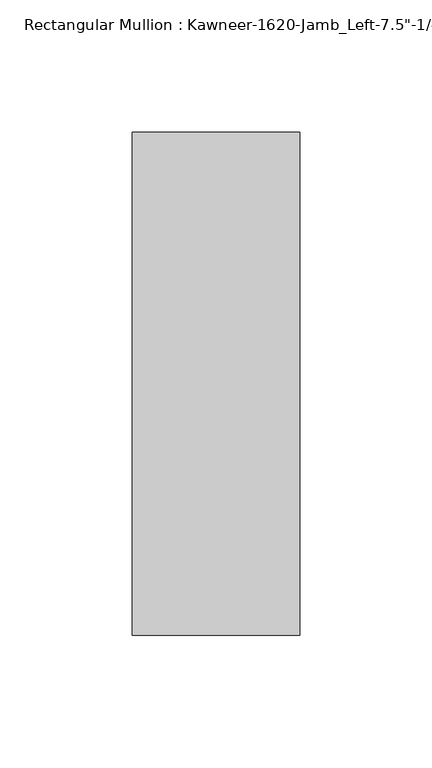
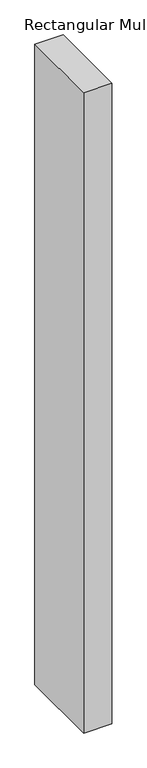
"""IFC4 building model written with IfcOpenShell, lengths in millimetres: member geometry."""

import ifcopenshell
import ifcopenshell.guid

model = None  # the IFC model being written
_history = None  # IfcOwnerHistory: only IFC2X3 demands one
_inside = {}  # id of a spatial element -> (the spatial element, [elements in it])
_under = {}  # id of a project, library or spatial element -> (it, [spatial elements below it])
_declared = {}  # id of a project -> (the project, [libraries it declares])
_typed = {}  # id of a type object -> (the type object, [elements of that type])
_made_of = {}  # id of a material, layer set ... -> (it, [elements and type objects made of it])


def new_model(schema):
    """Start an empty IFC model of exactly this schema.

    Asked for "IFC4X3", IfcOpenShell would pick the latest addendum, in which some entities
    have other attributes; the version numbers below select the first issue.
    IFC2X3 requires an IfcOwnerHistory on every rooted entity: one is made here for all.
    """
    global model, _history
    if schema == "IFC4X3":
        model = ifcopenshell.file(schema_version=(4, 3, 0, 0))
    else:
        model = ifcopenshell.file(schema=schema)
    _inside.clear()
    _under.clear()
    _declared.clear()
    _typed.clear()
    _made_of.clear()
    _history = None
    if model.schema == "IFC2X3":
        org = make("IfcOrganization", Name="unknown")
        user = make(
            "IfcPersonAndOrganization",
            ThePerson=make("IfcPerson", FamilyName="unknown"),
            TheOrganization=org,
        )
        app = make(
            "IfcApplication",
            ApplicationDeveloper=org,
            Version="unknown",
            ApplicationFullName="unknown",
            ApplicationIdentifier="unknown",
        )
        _history = make(
            "IfcOwnerHistory",
            OwningUser=user,
            OwningApplication=app,
            ChangeAction="ADDED",
            CreationDate=0,
        )
    return model


def make(cls, **values):
    """One entity of the class cls with the attributes given. An attribute that is None is left unset."""
    return model.create_entity(
        cls, **{name: value for name, value in values.items() if value is not None}
    )


def rooted(cls, **values):
    """An entity with a GlobalId (a new one), such as an element, a storey or a relation."""
    return make(cls, GlobalId=ifcopenshell.guid.new(), OwnerHistory=_history, **values)


def si_unit(unit_type, name, prefix=None):
    """IfcSIUnit, for example si_unit("LENGTHUNIT", "METRE", prefix="MILLI")."""
    return make("IfcSIUnit", UnitType=unit_type, Prefix=prefix, Name=name)


def assignment(units):
    """IfcUnitAssignment: the units of a project."""
    return None if units is None else make("IfcUnitAssignment", Units=units)


def point(xyz):
    """IfcCartesianPoint."""
    return None if xyz is None else make("IfcCartesianPoint", Coordinates=xyz)


def direction(xyz):
    """IfcDirection."""
    return None if xyz is None else make("IfcDirection", DirectionRatios=xyz)


def frame(location, z_axis=None, x_axis=None):
    """IfcAxis2Placement3D, a coordinate frame: its origin and axes. An axis left out is left unset."""
    return make(
        "IfcAxis2Placement3D",
        Location=point(location),
        Axis=direction(z_axis),
        RefDirection=direction(x_axis),
    )


def origin():
    """The frame at (0, 0, 0) with its axes left unset."""
    return frame((0.0, 0.0, 0.0))


def place(relative_to, where):
    """IfcLocalPlacement: puts the frame where relative to a parent placement (None: the world)."""
    return make(
        "IfcLocalPlacement", PlacementRelTo=relative_to, RelativePlacement=where
    )


def context(
    kind, dimensions, precision=None, world=None, true_north=None, identifier=None
):
    """IfcGeometricRepresentationContext, for example the 3D "Model" context."""
    return make(
        "IfcGeometricRepresentationContext",
        ContextIdentifier=identifier,
        ContextType=kind,
        CoordinateSpaceDimension=dimensions,
        Precision=precision,
        WorldCoordinateSystem=world,
        TrueNorth=true_north,
    )


def project(units=None, contexts=None):
    """IfcProject with its units and contexts."""
    return rooted(
        "IfcProject",
        Name="project",
        RepresentationContexts=contexts,
        UnitsInContext=assignment(units),
    )


def spatial(cls, under=None, at=None, **own):
    """A site, building, storey or space (cls), placed at a placement, below another one or the project."""
    s = rooted(cls, ObjectPlacement=at, **own)
    if under is not None:
        _under.setdefault(under.id(), (under, []))[1].append(s)
    return s


def polyline(points):
    """IfcPolyline through the points."""
    return make("IfcPolyline", Points=[point(p) for p in points])


def outline(outer, holes=None, kind="AREA"):
    """IfcArbitraryClosedProfileDef: a profile drawn as a closed curve; with holes, ...WithVoids."""
    if holes is None:
        return make("IfcArbitraryClosedProfileDef", ProfileType=kind, OuterCurve=outer)
    return make(
        "IfcArbitraryProfileDefWithVoids",
        ProfileType=kind,
        OuterCurve=outer,
        InnerCurves=holes,
    )


def extrude(swept, where, along, depth):
    """IfcExtrudedAreaSolid: the profile swept, set in the frame where, extruded along a direction by depth."""
    return make(
        "IfcExtrudedAreaSolid",
        SweptArea=swept,
        Position=where,
        ExtrudedDirection=direction(along),
        Depth=depth,
    )


def shape(context_of_items, identifier, shape_type, items):
    """IfcShapeRepresentation: the items that make up one representation, for example the "Body"."""
    return make(
        "IfcShapeRepresentation",
        ContextOfItems=context_of_items,
        RepresentationIdentifier=identifier,
        RepresentationType=shape_type,
        Items=items,
    )


def source(mapping_origin, context_of_items, identifier, shape_type, items):
    """IfcRepresentationMap: a shape defined once, which mapped items show again and again."""
    return make(
        "IfcRepresentationMap",
        MappingOrigin=mapping_origin,
        MappedRepresentation=shape(context_of_items, identifier, shape_type, items),
    )


def transform(
    local_origin,
    x_axis=None,
    y_axis=None,
    z_axis=None,
    scale=None,
    scale2=None,
    scale3=None,
    uniform=True,
):
    """IfcCartesianTransformationOperator3D, or its non-uniform kind. x_axis, y_axis, z_axis: its Axis1, 2, 3."""
    if uniform:
        return make(
            "IfcCartesianTransformationOperator3D",
            Axis1=direction(x_axis),
            Axis2=direction(y_axis),
            LocalOrigin=point(local_origin),
            Scale=scale,
            Axis3=direction(z_axis),
        )
    return make(
        "IfcCartesianTransformationOperator3DnonUniform",
        Axis1=direction(x_axis),
        Axis2=direction(y_axis),
        LocalOrigin=point(local_origin),
        Scale=scale,
        Axis3=direction(z_axis),
        Scale2=scale2,
        Scale3=scale3,
    )


def mapped(mapping_source, mapping_target):
    """IfcMappedItem: shows the shape of a source again, moved by a transform."""
    return make(
        "IfcMappedItem", MappingSource=mapping_source, MappingTarget=mapping_target
    )


def made_of(thing, what):
    """Note that an element or type object is made of a material, layer set ...; save() writes the relation."""
    if what is not None:
        _made_of.setdefault(what.id(), (what, []))[1].append(thing)
    return thing


def element(
    cls,
    number,
    at=None,
    inside=None,
    cuts=None,
    type_object=None,
    material=None,
    context=None,
    identifier="Body",
    shape_type=None,
    held_by="IfcProductDefinitionShape",
    body=None,
    shapes=None,
    **own,
):
    """One element of the class cls, such as IfcWall. Its Tag is "e" and its number.

    at: its placement. inside: the storey or other place that contains it. cuts: it is an
    opening in that element (IfcRelVoidsElement). A single representation is given by context,
    identifier, shape_type and body (its items); several are given by shapes. held_by: the class
    of the entity that holds the representations. save() writes the other relations.
    """
    e = rooted(cls, Tag="e%d" % number, ObjectPlacement=at, **own)
    if body is not None:
        shapes = [shape(context, identifier, shape_type, body)]
    if shapes is not None:
        e.Representation = make(held_by, Representations=shapes)
    if inside is not None:
        _inside.setdefault(inside.id(), (inside, []))[1].append(e)
    if cuts is not None:
        rooted(
            "IfcRelVoidsElement", RelatingBuildingElement=cuts, RelatedOpeningElement=e
        )
    if type_object is not None:
        _typed.setdefault(type_object.id(), (type_object, []))[1].append(e)
    return made_of(e, material)


def aggregate(whole, parts):
    """IfcRelAggregates: a whole, such as a stair, and the parts it consists of."""
    return rooted("IfcRelAggregates", RelatingObject=whole, RelatedObjects=parts)


def save(model, path):
    """Write the relations noted so far, then the file.

    IfcRelAggregates (storeys below a building ...), IfcRelContainedInSpatialStructure (elements
    in a storey), IfcRelDefinesByType, IfcRelAssociatesMaterial and IfcRelDeclares: one each for
    every whole, place, type object, material and project.
    """
    for whole, parts in _under.values():
        aggregate(whole, parts)
    for where, things in _inside.values():
        rooted(
            "IfcRelContainedInSpatialStructure",
            RelatedElements=things,
            RelatingStructure=where,
        )
    for kind, things in _typed.values():
        rooted("IfcRelDefinesByType", RelatedObjects=things, RelatingType=kind)
    for what, things in _made_of.values():
        rooted("IfcRelAssociatesMaterial", RelatedObjects=things, RelatingMaterial=what)
    for by, libraries in _declared.values():
        rooted("IfcRelDeclares", RelatingContext=by, RelatedDefinitions=libraries)
    model.write(path)


def member_b1527a5d(model_context):
    return source(origin(), model_context, "Body", "SweptSolid", [
        extrude(outline(polyline([(-63.5, 28.575), (0.0, 28.575), (0.0, -161.925), (-63.5, -161.925), (-63.5, 28.575)])), frame((0.0, 0.0, -1524.0), z_axis=(0.0, 0.0, 1.0), x_axis=(1.0, 0.0, 0.0)), (0.0, 0.0, 1.0), 1524.0),
    ])


if __name__ == "__main__":
    model = new_model("IFC4")
    model_context = context("Model", 3, world=origin())
    ifc_project = project(units=[si_unit("LENGTHUNIT", "METRE", prefix="MILLI")], contexts=[model_context])
    site = spatial("IfcSite", under=ifc_project)
    building = spatial("IfcBuilding", under=site)
    placement = place(None, origin())
    member_shape = member_b1527a5d(model_context)
    element("IfcMember", 1, ObjectType="Rectangular Mullion : Kawneer-1620-Jamb_Left-7.5\"-1/4\"Infill", at=placement, inside=building, context=model_context, shape_type="MappedRepresentation", body=[
        mapped(member_shape, transform((0.0, 0.0, 0.0), x_axis=(1.0, 0.0, 0.0), y_axis=(0.0, 1.0, 0.0), z_axis=(0.0, 0.0, 1.0))),
    ])
    save(model, "model.ifc")
